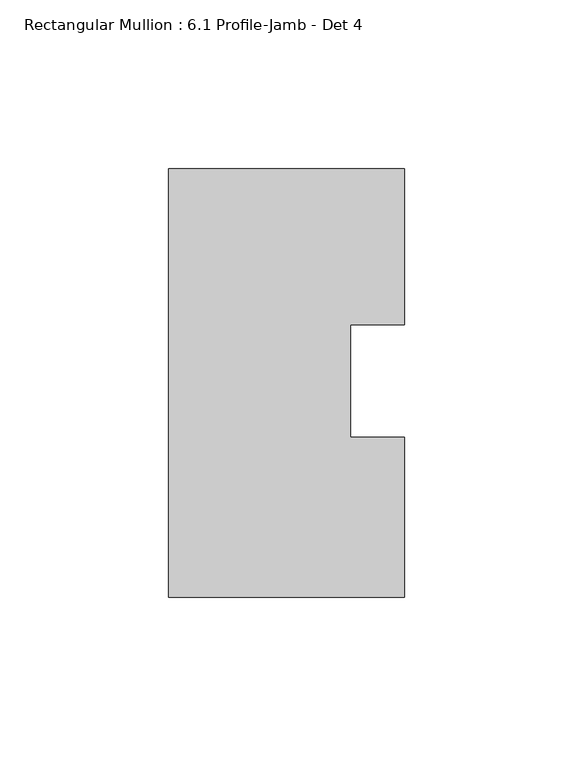
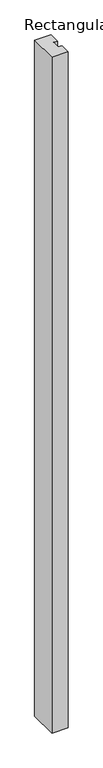
"""IFC4 building model written with IfcOpenShell, lengths in millimetres: member geometry, Rectangular Mullion : 6.1 Profile-Jamb - Det 4."""

from ifc_helpers import new_model, si_unit, frame, origin, place, context, project, spatial, polyline, outline, extrude, source, transform, mapped, element, save


def rectangular_mullion_6_1_profile_jamb_det_4_df53017d(model_context):
    return source(origin(), model_context, "Body", "SweptSolid", [
        extrude(outline(polyline([(-69.8515795, -63.5), (-69.8515795, 63.5), (0.0, 63.5), (0.0, 17.3187346), (-15.875, 17.3187346), (-15.875, -16.0406112), (0.0, -16.0406112), (0.0, -63.5), (-69.8515795, -63.5)])), frame((0.0, 0.0, -3048.0), z_axis=(0.0, 0.0, 1.0), x_axis=(1.0, 0.0, 0.0)), (0.0, 0.0, 1.0), 3048.0),
    ])


if __name__ == "__main__":
    model = new_model("IFC4")
    model_context = context("Model", 3, world=origin())
    ifc_project = project(units=[si_unit("LENGTHUNIT", "METRE", prefix="MILLI")], contexts=[model_context])
    site = spatial("IfcSite", under=ifc_project)
    building = spatial("IfcBuilding", under=site)
    placement = place(None, origin())
    rectangular_mullion_6_1_profile_jamb_det_4_shape = rectangular_mullion_6_1_profile_jamb_det_4_df53017d(model_context)
    element("IfcMember", 1, ObjectType="Rectangular Mullion : 6.1 Profile-Jamb - Det 4", at=placement, inside=building, context=model_context, shape_type="MappedRepresentation", body=[
        mapped(rectangular_mullion_6_1_profile_jamb_det_4_shape, transform((0.0, 0.0, 0.0), x_axis=(1.0, 0.0, 0.0), y_axis=(0.0, 1.0, 0.0), z_axis=(0.0, 0.0, 1.0))),
    ])
    save(model, "model.ifc")
